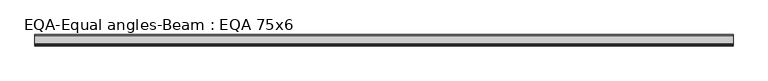
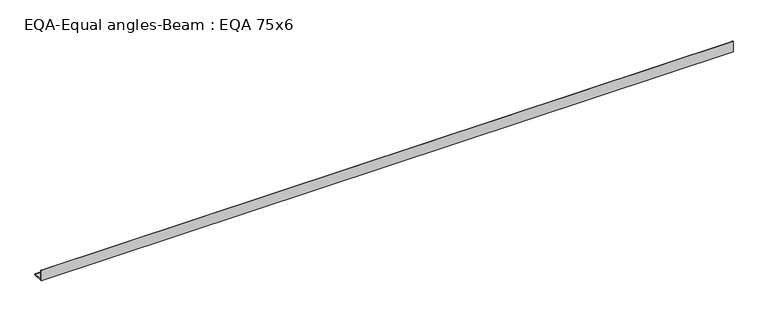
"""IFC4 building model written with IfcOpenShell, lengths in millimetres: beam geometry, EQA-Equal angles-Beam : EQA 75x6."""

from ifc_helpers import new_model, si_unit, point, frame, frame_2d, origin, place, context, project, spatial, polyline, circle_curve, trimmed, segment, composite_curve, outline, extrude, source, transform, mapped, element, save


def eqa_equal_angles_beam_eqa_75x6_2eaa568d(model_context):
    return source(origin(), model_context, "Body", "SweptSolid", [
        extrude(outline(composite_curve([segment(polyline([(-20.5, -20.5), (-20.5, 54.5), (-19.0, 54.5)]), True, "CONTINUOUS"), segment(trimmed(circle_curve(frame_2d((-19.0, 50.0)), 4.5), [point((-19.0, 54.5))], [point((-14.5, 50.0))], False, "CARTESIAN"), True, "CONTINUOUS"), segment(polyline([(-14.5, 50.0), (-14.5, -5.5)]), True, "CONTINUOUS"), segment(trimmed(circle_curve(frame_2d((-5.5, -5.5)), 9.0), [point((-14.5, -5.5))], [point((-5.5, -14.5))], True, "CARTESIAN"), True, "CONTINUOUS"), segment(polyline([(-5.5, -14.5), (50.0, -14.5)]), True, "CONTINUOUS"), segment(trimmed(circle_curve(frame_2d((50.0, -19.0)), 4.5), [point((50.0, -14.5))], [point((54.5, -19.0))], False, "CARTESIAN"), True, "CONTINUOUS"), segment(polyline([(54.5, -19.0), (54.5, -20.5), (-20.5, -20.5)]), True, "CONTINUOUS")], self_intersect=False)), frame((-2335.9470868, 0.0, 0.0), z_axis=(1.0, 0.0, 0.0), x_axis=(0.0, 1.0, 0.0)), (0.0, 0.0, 1.0), 4638.7791121),
    ])


if __name__ == "__main__":
    model = new_model("IFC4")
    model_context = context("Model", 3, world=origin())
    ifc_project = project(units=[si_unit("LENGTHUNIT", "METRE", prefix="MILLI")], contexts=[model_context])
    site = spatial("IfcSite", under=ifc_project)
    building = spatial("IfcBuilding", under=site)
    placement = place(None, origin())
    eqa_equal_angles_beam_eqa_75x6_shape = eqa_equal_angles_beam_eqa_75x6_2eaa568d(model_context)
    element("IfcBeam", 1, ObjectType="EQA-Equal angles-Beam : EQA 75x6", at=placement, inside=building, context=model_context, shape_type="MappedRepresentation", body=[
        mapped(eqa_equal_angles_beam_eqa_75x6_shape, transform((0.0, 0.0, 0.0), x_axis=(1.0, 0.0, 0.0), y_axis=(0.0, 1.0, 0.0), z_axis=(0.0, 0.0, 1.0))),
    ])
    save(model, "model.ifc")
